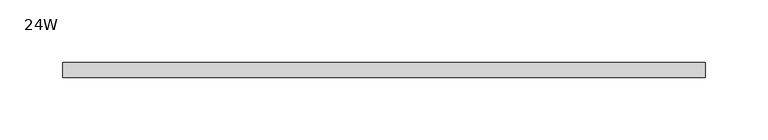
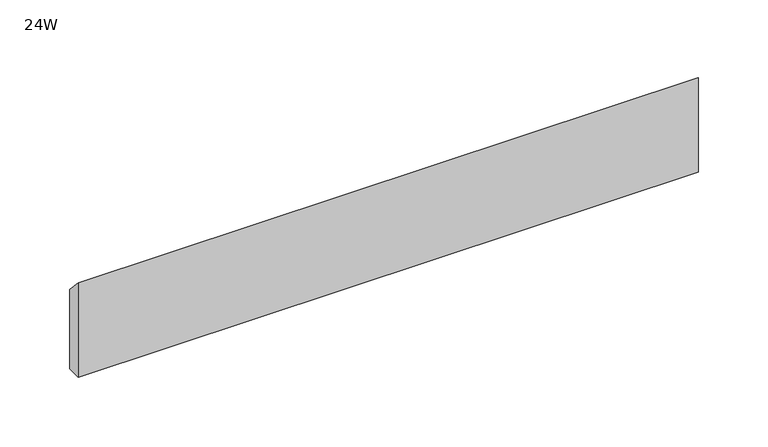
"""IFC4 building model written with IfcOpenShell, lengths in millimetres: furniture geometry, 24W."""

from ifc_helpers import new_model, si_unit, frame, origin, place, context, project, spatial, polyline, outline, extrude, source, transform, mapped, element, save


def furniture_24w_55cdd585(model_context):
    return source(origin(), model_context, "Body", "SweptSolid", [
        extrude(outline(polyline([(-11.938, 915.06548), (-11.938, 997.61548), (0.0, 984.91548), (0.0, 915.06548), (-11.938, 915.06548)])), frame((48.006, 0.0, 0.0), z_axis=(1.0, 0.0, 0.0), x_axis=(0.0, 1.0, 0.0)), (0.0, 0.0, 1.0), 513.588),
    ])


if __name__ == "__main__":
    model = new_model("IFC4")
    model_context = context("Model", 3, world=origin())
    ifc_project = project(units=[si_unit("LENGTHUNIT", "METRE", prefix="MILLI")], contexts=[model_context])
    site = spatial("IfcSite", under=ifc_project)
    building = spatial("IfcBuilding", under=site)
    placement = place(None, origin())
    furniture_24w_shape = furniture_24w_55cdd585(model_context)
    element("IfcFurniture", 1, ObjectType="24W", at=placement, inside=building, context=model_context, shape_type="MappedRepresentation", body=[
        mapped(furniture_24w_shape, transform((0.0, 0.0, 0.0), x_axis=(1.0, 0.0, 0.0), y_axis=(0.0, 1.0, 0.0), z_axis=(0.0, 0.0, 1.0))),
    ])
    save(model, "model.ifc")
